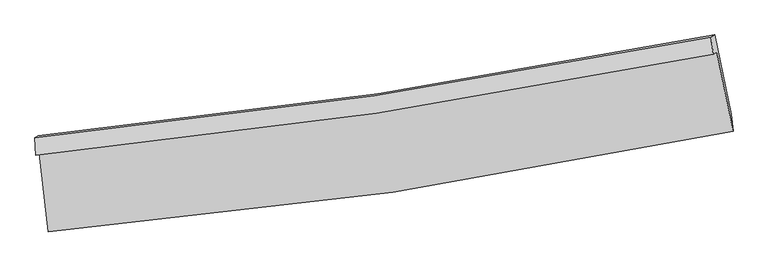
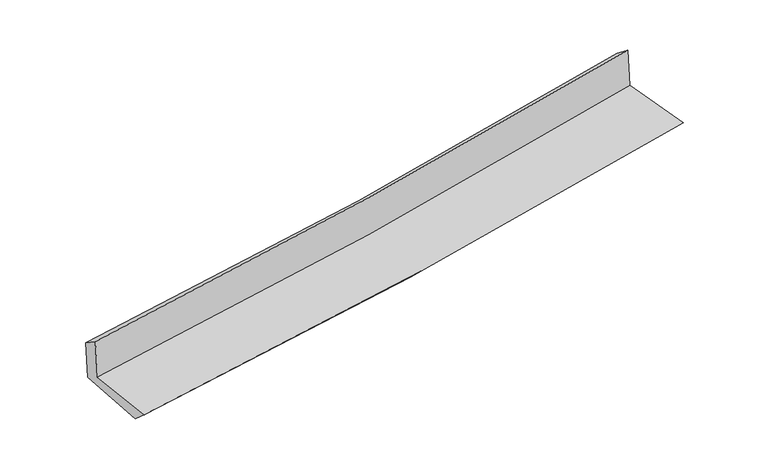
"""IFC4 building model written with IfcOpenShell, lengths in millimetres: proxy geometry."""

from ifc_helpers import new_model, si_unit, frame, origin, place, context, project, spatial, source, transform, mapped, element, save
from ifc_brep_helpers import plane_surface, spline_curve, spline_surface, advanced_brep


def generic_models_227814a7(model_context):
    return source(origin(), model_context, "Body", "AdvancedBrep", [
        advanced_brep(
        [(-2879.0066873, -1894.4428761, 1643.6132782), (-2803.8069621, -2558.0058552, 1630.8594706), (2952.106467, -1711.0277715, 2119.998973), (2815.8935421, -1047.5970761, 2149.3579225), (-2909.2877314, -1912.0001165, 2030.139136), (2785.5954298, -1065.1642129, 2536.10165), (-2917.3490023, -1765.3129259, 1930.3123406), (2766.2582264, -919.8156591, 2422.4633838), (-2887.8254278, -1748.1948736, 1553.4552895), (2797.3479856, -901.7895179, 2025.6145899), (-2809.3939341, -2413.2652629, 1503.9778442), (2935.4341565, -1567.6314527, 1980.3968329)],
        [
            (0, 1),
            (1, 2, spline_curve(3, [(-2803.8069621, -2558.0058552, 1630.8594706), (-1834.357380224, -2476.111623577, 1724.742605643), (-868.99135572, -2364.375817544, 1812.517361458), (1049.612872756, -2081.804387672, 1975.513629862), (2002.884658287, -1911.21416606, 2050.785374951), (2952.106467, -1711.0277715, 2119.998973)], [4, 2, 4], [0.0, 9.55352033409575, 19.067677964063982])),
            (2, 3),
            (3, 0, spline_curve(3, [(2815.8935421, -1047.5970761, 2149.3579225), (1875.39397535, -1237.223297998, 2070.390118281), (931.555776681, -1402.511555434, 1988.85314723), (-966.716616655, -1684.995291149, 1820.292901794), (-1921.178494788, -1801.988967125, 1733.24832451), (-2879.0066873, -1894.4428761, 1643.6132782)], [4, 2, 4], [0.0, 9.514157629968231, 19.067677964063982])),
            (4, 0),
            (3, 5),
            (5, 4, spline_curve(3, [(2785.5954298, -1065.1642129, 2536.10165), (1844.872446572, -1254.919973971, 2459.985670286), (900.923725816, -1420.272312993, 2379.859474264), (-997.343914578, -1702.753292902, 2211.238554506), (-1951.689580774, -1819.679587987, 2122.710578867), (-2909.2877314, -1912.0001165, 2030.139136)], [4, 2, 4], [0.0, 9.465291044448291, 18.969742618431003])),
            (6, 4),
            (5, 7),
            (7, 6, spline_curve(3, [(2766.2582264, -919.8156591, 2422.4633838), (1827.585628455, -1109.105260578, 2344.880256343), (885.600001641, -1274.1129461, 2265.165181019), (-1008.908270484, -1556.146705767, 2101.132510586), (-1961.458386926, -1672.971442804, 2016.797238377), (-2917.3490023, -1765.3129259, 1930.3123406)], [4, 2, 4], [0.0, 9.45503992564281, 18.949197969103498])),
            (8, 6),
            (7, 9),
            (9, 8, spline_curve(3, [(2797.3479856, -901.7895179, 2025.6145899), (1857.913230151, -1091.521025709, 1957.760109148), (915.4157609, -1256.825482135, 1884.578506184), (-979.616648555, -1539.163142094, 1727.236243685), (-1932.176983976, -1655.993803879, 1643.031413165), (-2887.8254278, -1748.1948736, 1553.4552895)], [4, 2, 4], [0.0, 9.444834808766123, 18.9287455139563])),
            (10, 8),
            (9, 11),
            (11, 10, spline_curve(3, [(2935.4341565, -1567.6314527, 1980.3968329), (1988.106983739, -1767.425849032, 1911.15227993), (1036.704440065, -1937.708106312, 1836.920696339), (-878.204465123, -2219.83074784, 1678.15571752), (-1841.744618431, -2331.426427277, 1593.580971723), (-2809.3939341, -2413.2652629, 1503.9778442)], [4, 2, 4], [0.0, 9.49403181113136, 19.027343060305842])),
            (1, 10),
            (11, 2),
        ],
        [
            spline_surface(3, 3, [[(-2879.0066873, -1894.4428761, 1643.6132782), (-1921.178494691, -1801.98896717, 1733.248324651), (-966.716616809, -1684.995291149, 1820.292901801), (931.555776833, -1402.511555434, 1988.853147223), (1875.393975394, -1237.223298104, 2070.390118162), (2815.8935421, -1047.5970761, 2149.3579225)], [(-2853.94011224, -2115.630535817, 1639.362008989), (-1892.238123185, -2026.69651931, 1730.413084966), (-934.141529796, -1911.455466588, 1817.701054974), (970.908142182, -1628.942499567, 1984.406641473), (1917.89086965, -1461.886920741, 2063.855203791), (2861.297850402, -1268.740641226, 2139.571605999)], [(-2828.87353716, -2336.818195483, 1635.110739811), (-1863.297751658, -2251.4040714, 1727.577845313), (-901.56644282, -2137.915641986, 1815.10920816), (1010.260507494, -1855.373443658, 1979.960135736), (1960.387763901, -1686.550543399, 2057.320289424), (2906.702158698, -1489.884206374, 2129.785289501)], [(-2803.8069621, -2558.0058552, 1630.8594706), (-1834.357380151, -2476.11162354, 1724.742605628), (-868.991355807, -2364.375817425, 1812.517361333), (1049.612872842, -2081.80438779, 1975.513629986), (2002.884658157, -1911.214166035, 2050.785375053), (2952.106467, -1711.0277715, 2119.998973)]], [4, 4], [4, 2, 4], [0.0, 2.256972599839636], [0.0, 9.55352033409575, 19.067677964063982]),
            spline_surface(3, 3, [[(-2909.2877314, -1912.0001165, 2030.139136), (-1951.689580719, -1819.679588091, 2122.710579), (-997.343914534, -1702.753292789, 2211.238554423), (900.923725772, -1420.272313105, 2379.859474346), (1844.872446664, -1254.919973898, 2459.985670292), (2785.5954298, -1065.1642129, 2536.10165)], [(-2899.194050037, -1906.147703019, 1901.297183391), (-1941.519218713, -1813.782714437, 1992.889827542), (-987.134815278, -1696.833958905, 2080.923336894), (911.134409473, -1414.352060544, 2249.524031983), (1855.046289587, -1249.021081975, 2330.120486263), (2795.69480058, -1059.308500641, 2407.187074181)], [(-2889.100368663, -1900.295289581, 1772.455230809), (-1931.348856697, -1807.885840824, 1863.069076109), (-976.925716065, -1690.914625033, 1950.608119331), (921.345093132, -1408.431807995, 2119.188589586), (1865.220132471, -1243.122190028, 2200.255302191), (2805.79417132, -1053.452788359, 2278.272498319)], [(-2879.0066873, -1894.4428761, 1643.6132782), (-1921.178494691, -1801.98896717, 1733.248324651), (-966.716616809, -1684.995291149, 1820.292901801), (931.555776833, -1402.511555434, 1988.853147223), (1875.393975394, -1237.223298104, 2070.390118162), (2815.8935421, -1047.5970761, 2149.3579225)]], [4, 4], [4, 2, 4], [0.0, 1.287978033383585], [0.0, 9.504451573982712, 18.969742618431003]),
            spline_surface(3, 3, [[(-2917.3490023, -1765.3129259, 1930.3123406), (-1961.458386917, -1672.971442812, 2016.797238252), (-1008.908270614, -1556.146705903, 2101.132510631), (885.60000177, -1274.112945964, 2265.165180974), (1827.585628316, -1109.105260643, 2344.880256289), (2766.2582264, -919.8156591, 2422.4633838)], [(-2914.661911992, -1814.20865609, 1963.587939087), (-1958.202118176, -1721.874157895, 2052.101685188), (-1005.053485271, -1605.015568185, 2137.834525244), (890.707909754, -1322.832734997, 2303.396612114), (1833.347901075, -1157.710165057, 2383.248727606), (2772.703960843, -968.265177029, 2460.342805849)], [(-2911.974821708, -1863.10438631, 1996.863537513), (-1954.945849459, -1770.776873008, 2087.406132064), (-1001.198699878, -1653.884430508, 2174.536539811), (895.815817788, -1371.552524071, 2341.628043207), (1839.110173905, -1206.315069484, 2421.617198975), (2779.149695357, -1016.714694971, 2498.222227951)], [(-2909.2877314, -1912.0001165, 2030.139136), (-1951.689580719, -1819.679588091, 2122.710579), (-997.343914534, -1702.753292789, 2211.238554423), (900.923725772, -1420.272313105, 2379.859474346), (1844.872446664, -1254.919973898, 2459.985670292), (2785.5954298, -1065.1642129, 2536.10165)]], [4, 4], [4, 2, 4], [0.0, 0.607092297785766], [0.0, 9.494158043460688, 18.949197969103498]),
            spline_surface(3, 3, [[(-2887.8254278, -1748.1948736, 1553.4552895), (-1932.176983917, -1655.993803876, 1643.031413025), (-979.616648552, -1539.163141938, 1727.236243572), (915.415760896, -1256.825482291, 1884.578506297), (1857.913230012, -1091.521025691, 1957.760109212), (2797.3479856, -901.7895179, 2025.6145899)], [(-2897.666619317, -1753.900891041, 1679.074306528), (-1941.9374516, -1661.653016862, 1767.620021429), (-989.380522575, -1544.824329952, 1851.868332587), (905.477174518, -1262.587970208, 2011.440731185), (1847.804029462, -1097.382437344, 2086.80015825), (2786.984732549, -907.798231636, 2157.897521212)], [(-2907.507810783, -1759.606908459, 1804.693323572), (-1951.697919233, -1667.312229826, 1892.208629848), (-999.144396591, -1550.485517889, 1976.500421616), (895.538588148, -1268.350458047, 2138.302956087), (1837.694828866, -1103.243848989, 2215.840207251), (2776.621479451, -913.806945364, 2290.180452488)], [(-2917.3490023, -1765.3129259, 1930.3123406), (-1961.458386917, -1672.971442812, 2016.797238252), (-1008.908270614, -1556.146705903, 2101.132510631), (885.60000177, -1274.112945964, 2265.165180974), (1827.585628316, -1109.105260643, 2344.880256289), (2766.2582264, -919.8156591, 2422.4633838)]], [4, 4], [4, 2, 4], [0.0, 1.242687998697917], [0.0, 9.483910705190178, 18.9287455139563]),
            spline_surface(3, 3, [[(-2809.3939341, -2413.2652629, 1503.9778442), (-1841.744618481, -2331.426427387, 1593.580971768), (-878.20446514, -2219.830747905, 1678.155717553), (1036.704440083, -1937.708106247, 1836.920696306), (1988.106983632, -1767.425848966, 1911.152280078), (2935.4341565, -1567.6314527, 1980.3968329)], [(-2835.537765339, -2191.57513315, 1520.470325979), (-1871.888740299, -2106.282219567, 1610.0644522), (-912.008526262, -1992.941545894, 1694.515892891), (996.274880369, -1710.747231573, 1852.806632968), (1944.709065757, -1542.124241195, 1926.688223134), (2889.405432865, -1345.684141088, 1995.469418577)], [(-2861.681596561, -1969.88500335, 1536.962807721), (-1902.032862099, -1881.138011696, 1626.547932593), (-945.81258743, -1766.052343949, 1710.876068233), (955.84532061, -1483.786356965, 1868.692569635), (1901.311147886, -1316.822633461, 1942.224166157), (2843.376709235, -1123.736829512, 2010.542004223)], [(-2887.8254278, -1748.1948736, 1553.4552895), (-1932.176983917, -1655.993803876, 1643.031413025), (-979.616648552, -1539.163141938, 1727.236243572), (915.415760896, -1256.825482291, 1884.578506297), (1857.913230012, -1091.521025691, 1957.760109212), (2797.3479856, -901.7895179, 2025.6145899)]], [4, 4], [4, 2, 4], [0.0, 2.268727957945948], [0.0, 9.533311249174481, 19.027343060305842]),
            spline_surface(3, 3, [[(-2803.8069621, -2558.0058552, 1630.8594706), (-1834.357380151, -2476.11162354, 1724.742605628), (-868.991355807, -2364.375817425, 1812.517361333), (1049.612872842, -2081.80438779, 1975.513629986), (2002.884658157, -1911.214166035, 2050.785375053), (2952.106467, -1711.0277715, 2119.998973)], [(-2805.669286074, -2509.758991083, 1588.565595124), (-1836.819792902, -2427.883224806, 1681.022060999), (-872.062392274, -2316.194127586, 1767.730146724), (1045.3100619, -2033.772293943, 1929.315985411), (1997.958766642, -1863.284727025, 2004.241010042), (2946.54903016, -1663.22899858, 2073.464926281)], [(-2807.531610126, -2461.512127017, 1546.271719676), (-1839.28220573, -2379.654826122, 1637.301516397), (-875.133428673, -2268.012437745, 1722.942932162), (1041.007251025, -1985.740200095, 1883.118340882), (1993.032875146, -1815.355287975, 1957.696645089), (2940.99159334, -1615.43022562, 2026.930879619)], [(-2809.3939341, -2413.2652629, 1503.9778442), (-1841.744618481, -2331.426427387, 1593.580971768), (-878.20446514, -2219.830747905, 1678.155717553), (1036.704440083, -1937.708106247, 1836.920696306), (1988.106983632, -1767.425848966, 1911.152280078), (2935.4341565, -1567.6314527, 1980.3968329)]], [4, 4], [4, 2, 4], [0.0, 0.65266914030411], [0.0, 9.592745428377754, 19.145966536205286]),
            plane_surface(frame((2842.1059679, -1202.1709483, 2205.6555587), z_axis=(0.9767215258846701, 0.1967548738841599, 0.08545513721450718), x_axis=(-0.0780223096264093, -0.04523808511534001, 0.9959247134475869))),
            plane_surface(frame((-2867.7782908, -2048.536985, 1715.3928932), z_axis=(-0.990419201632512, -0.11065350201650072, -0.08261723506086503), x_axis=(-0.11258585822363823, 0.9934585175067817, 0.019094463105165483))),
        ],
        [
            (0, [[1, 2, 3, 4]]),
            (1, [[5, -4, 6, 7]]),
            (2, [[8, -7, 9, 10]]),
            (3, [[11, -10, 12, 13]]),
            (4, [[14, -13, 15, 16]]),
            (5, [[17, -16, 18, -2]]),
            (6, [[-12, -9, -6, -3, -18, -15]]),
            (7, [[-1, -5, -8, -11, -14, -17]]),
        ],
    ),
    ])


if __name__ == "__main__":
    model = new_model("IFC4")
    model_context = context("Model", 3, world=origin())
    ifc_project = project(units=[si_unit("LENGTHUNIT", "METRE", prefix="MILLI")], contexts=[model_context])
    site = spatial("IfcSite", under=ifc_project)
    building = spatial("IfcBuilding", under=site)
    placement = place(None, origin())
    generic_models_shape = generic_models_227814a7(model_context)
    element("IfcBuildingElementProxy", 1, Name="Generic Models", at=placement, inside=building, context=model_context, shape_type="MappedRepresentation", body=[
        mapped(generic_models_shape, transform((0.0, 0.0, 0.0), x_axis=(1.0, 0.0, 0.0), y_axis=(0.0, 1.0, 0.0), z_axis=(0.0, 0.0, 1.0))),
    ])
    save(model, "model.ifc")
